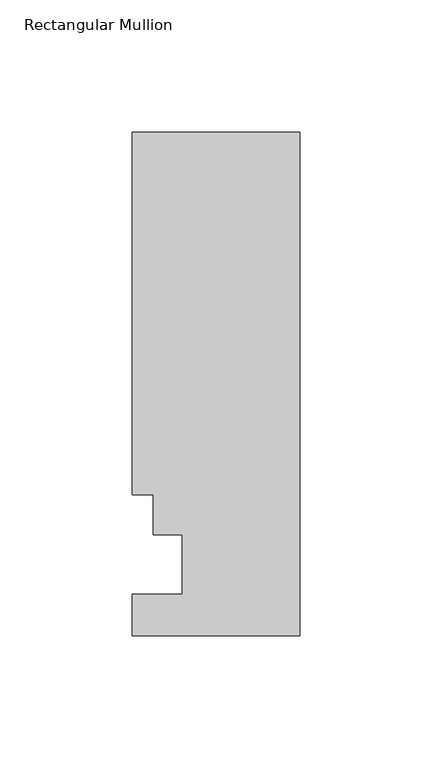
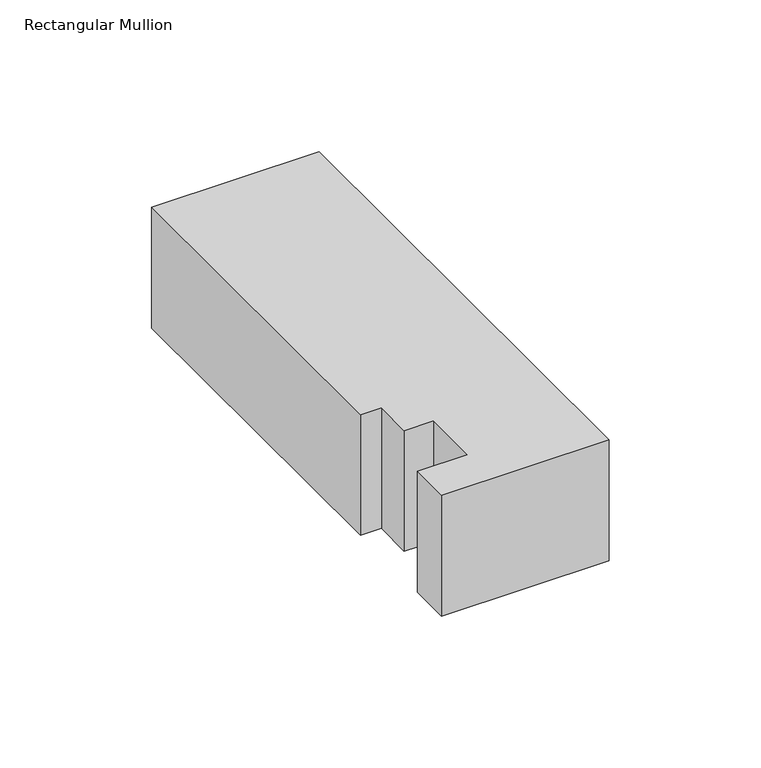
"""IFC4 building model written with IfcOpenShell, lengths in millimetres: member geometry, Rectangular Mullion."""

from ifc_helpers import new_model, si_unit, frame, origin, place, context, project, spatial, polyline, outline, extrude, source, transform, mapped, element, save


def rectangular_mullion_3fbb1e05(model_context):
    return source(origin(), model_context, "Body", "SweptSolid", [
        extrude(outline(polyline([(0.0, 190.4007813), (0.0, -0.3278187), (-63.5, -0.3278187), (-63.5, 15.5217813), (-44.45, 15.5217813), (-44.45, 38.0007812), (-55.5752, 38.0007813), (-55.5752, 53.0629813), (-63.5, 53.0629813), (-63.5, 190.4007813), (0.0, 190.4007813)])), frame((0.0, 0.0, -48.4681873), z_axis=(0.0, 0.0, 1.0), x_axis=(1.0, 0.0, 0.0)), (0.0, 0.0, 1.0), 48.4681873),
    ])


if __name__ == "__main__":
    model = new_model("IFC4")
    model_context = context("Model", 3, world=origin())
    ifc_project = project(units=[si_unit("LENGTHUNIT", "METRE", prefix="MILLI")], contexts=[model_context])
    site = spatial("IfcSite", under=ifc_project)
    building = spatial("IfcBuilding", under=site)
    placement = place(None, origin())
    rectangular_mullion_shape = rectangular_mullion_3fbb1e05(model_context)
    element("IfcMember", 1, ObjectType="Rectangular Mullion", at=placement, inside=building, context=model_context, shape_type="MappedRepresentation", body=[
        mapped(rectangular_mullion_shape, transform((0.0, 0.0, 0.0), x_axis=(1.0, 0.0, 0.0), y_axis=(0.0, 1.0, 0.0), z_axis=(0.0, 0.0, 1.0))),
    ])
    save(model, "model.ifc")
